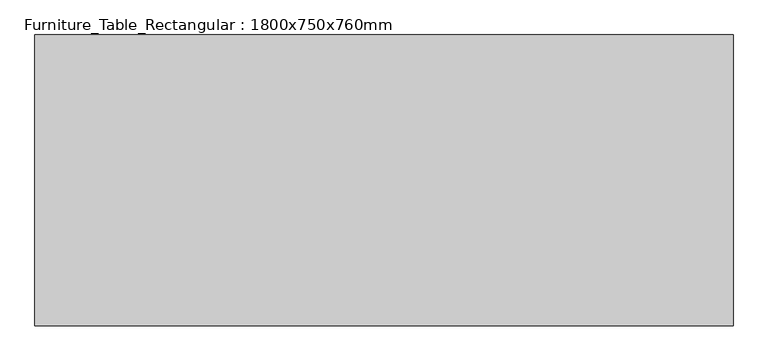
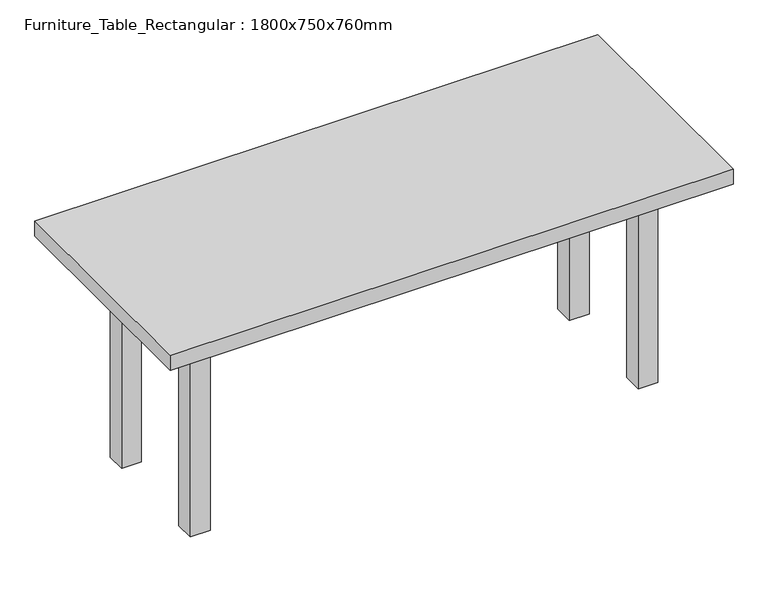
"""IFC4 building model written with IfcOpenShell, lengths in millimetres: furniture geometry, Furniture_Table_Rectangular : 1800x750x760mm."""

from ifc_helpers import new_model, si_unit, frame, origin, origin_with_axes, place, context, project, spatial, polyline, outline, extrude, source, transform, mapped, element, save


def furniture_table_rectangular_1800x750x760mm_a8160497(model_context):
    return source(origin(), model_context, "Body", "SweptSolid", [
        extrude(outline(polyline([(684.1, 184.5), (684.1, 159.1), (-684.1, 159.1), (-684.1, 184.5), (684.1, 184.5)])), frame((0.0, 0.0, 607.6), z_axis=(0.0, 0.0, 1.0), x_axis=(1.0, 0.0, 0.0)), (0.0, 0.0, 1.0), 101.6),
        extrude(outline(polyline([(684.1, -184.5), (-684.1, -184.5), (-684.1, -159.1), (684.1, -159.1), (684.1, -184.5)])), frame((0.0, 0.0, 607.6), z_axis=(0.0, 0.0, 1.0), x_axis=(1.0, 0.0, 0.0)), (0.0, 0.0, 1.0), 101.6),
        extrude(outline(polyline([(-696.8, -159.1), (-722.2, -159.1), (-722.2, 159.1), (-696.8, 159.1), (-696.8, -159.1)])), frame((0.0, 0.0, 607.6), z_axis=(0.0, 0.0, 1.0), x_axis=(1.0, 0.0, 0.0)), (0.0, 0.0, 1.0), 101.6),
        extrude(outline(polyline([(696.8, -159.1), (696.8, 159.1), (722.2, 159.1), (722.2, -159.1), (696.8, -159.1)])), frame((0.0, 0.0, 607.6), z_axis=(0.0, 0.0, 1.0), x_axis=(1.0, 0.0, 0.0)), (0.0, 0.0, 1.0), 101.6),
        extrude(outline(polyline([(900.0, 375.0), (900.0, -375.0), (-900.0, -375.0), (-900.0, 375.0), (900.0, 375.0)])), frame((0.0, 0.0, 709.2), z_axis=(0.0, 0.0, 1.0), x_axis=(1.0, 0.0, 0.0)), (0.0, 0.0, 1.0), 50.8),
        extrude(outline(polyline([(-684.1, 222.6), (-684.1, 159.1), (-747.6, 159.1), (-747.6, 222.6), (-684.1, 222.6)])), origin_with_axes(), (0.0, 0.0, 1.0), 709.2),
        extrude(outline(polyline([(684.1, 222.6), (747.6, 222.6), (747.6, 159.1), (684.1, 159.1), (684.1, 222.6)])), origin_with_axes(), (0.0, 0.0, 1.0), 709.2),
        extrude(outline(polyline([(-684.1, -222.6), (-747.6, -222.6), (-747.6, -159.1), (-684.1, -159.1), (-684.1, -222.6)])), origin_with_axes(), (0.0, 0.0, 1.0), 709.2),
        extrude(outline(polyline([(684.1, -222.6), (684.1, -159.1), (747.6, -159.1), (747.6, -222.6), (684.1, -222.6)])), origin_with_axes(), (0.0, 0.0, 1.0), 709.2),
    ])


if __name__ == "__main__":
    model = new_model("IFC4")
    model_context = context("Model", 3, world=origin())
    ifc_project = project(units=[si_unit("LENGTHUNIT", "METRE", prefix="MILLI")], contexts=[model_context])
    site = spatial("IfcSite", under=ifc_project)
    building = spatial("IfcBuilding", under=site)
    placement = place(None, origin())
    furniture_table_rectangular_1800x750x760mm_shape = furniture_table_rectangular_1800x750x760mm_a8160497(model_context)
    element("IfcFurniture", 1, ObjectType="Furniture_Table_Rectangular : 1800x750x760mm", at=placement, inside=building, context=model_context, shape_type="MappedRepresentation", body=[
        mapped(furniture_table_rectangular_1800x750x760mm_shape, transform((0.0, 0.0, 0.0), x_axis=(1.0, 0.0, 0.0), y_axis=(0.0, 1.0, 0.0), z_axis=(0.0, 0.0, 1.0))),
    ])
    save(model, "model.ifc")
